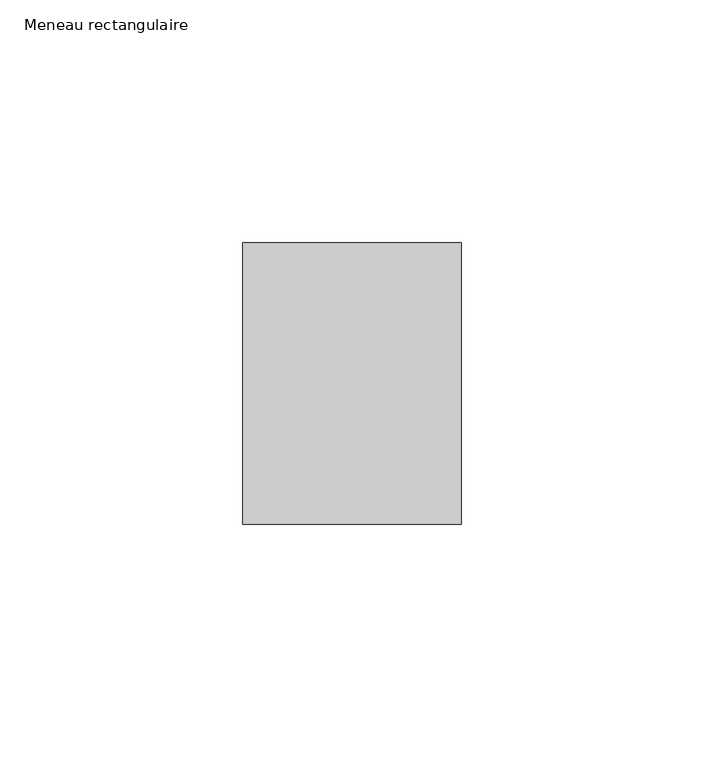
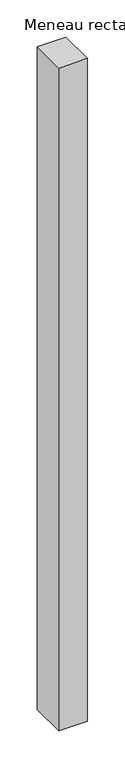
"""IFC4 building model written with IfcOpenShell, lengths in millimetres: member geometry, Meneau rectangulaire."""

import ifcopenshell
import ifcopenshell.guid

model = None  # the IFC model being written
_history = None  # IfcOwnerHistory: only IFC2X3 demands one
_inside = {}  # id of a spatial element -> (the spatial element, [elements in it])
_under = {}  # id of a project, library or spatial element -> (it, [spatial elements below it])
_declared = {}  # id of a project -> (the project, [libraries it declares])
_typed = {}  # id of a type object -> (the type object, [elements of that type])
_made_of = {}  # id of a material, layer set ... -> (it, [elements and type objects made of it])


def new_model(schema):
    """Start an empty IFC model of exactly this schema.

    Asked for "IFC4X3", IfcOpenShell would pick the latest addendum, in which some entities
    have other attributes; the version numbers below select the first issue.
    IFC2X3 requires an IfcOwnerHistory on every rooted entity: one is made here for all.
    """
    global model, _history
    if schema == "IFC4X3":
        model = ifcopenshell.file(schema_version=(4, 3, 0, 0))
    else:
        model = ifcopenshell.file(schema=schema)
    _inside.clear()
    _under.clear()
    _declared.clear()
    _typed.clear()
    _made_of.clear()
    _history = None
    if model.schema == "IFC2X3":
        org = make("IfcOrganization", Name="unknown")
        user = make(
            "IfcPersonAndOrganization",
            ThePerson=make("IfcPerson", FamilyName="unknown"),
            TheOrganization=org,
        )
        app = make(
            "IfcApplication",
            ApplicationDeveloper=org,
            Version="unknown",
            ApplicationFullName="unknown",
            ApplicationIdentifier="unknown",
        )
        _history = make(
            "IfcOwnerHistory",
            OwningUser=user,
            OwningApplication=app,
            ChangeAction="ADDED",
            CreationDate=0,
        )
    return model


def make(cls, **values):
    """One entity of the class cls with the attributes given. An attribute that is None is left unset."""
    return model.create_entity(
        cls, **{name: value for name, value in values.items() if value is not None}
    )


def rooted(cls, **values):
    """An entity with a GlobalId (a new one), such as an element, a storey or a relation."""
    return make(cls, GlobalId=ifcopenshell.guid.new(), OwnerHistory=_history, **values)


def si_unit(unit_type, name, prefix=None):
    """IfcSIUnit, for example si_unit("LENGTHUNIT", "METRE", prefix="MILLI")."""
    return make("IfcSIUnit", UnitType=unit_type, Prefix=prefix, Name=name)


def assignment(units):
    """IfcUnitAssignment: the units of a project."""
    return None if units is None else make("IfcUnitAssignment", Units=units)


def point(xyz):
    """IfcCartesianPoint."""
    return None if xyz is None else make("IfcCartesianPoint", Coordinates=xyz)


def direction(xyz):
    """IfcDirection."""
    return None if xyz is None else make("IfcDirection", DirectionRatios=xyz)


def frame(location, z_axis=None, x_axis=None):
    """IfcAxis2Placement3D, a coordinate frame: its origin and axes. An axis left out is left unset."""
    return make(
        "IfcAxis2Placement3D",
        Location=point(location),
        Axis=direction(z_axis),
        RefDirection=direction(x_axis),
    )


def origin():
    """The frame at (0, 0, 0) with its axes left unset."""
    return frame((0.0, 0.0, 0.0))


def place(relative_to, where):
    """IfcLocalPlacement: puts the frame where relative to a parent placement (None: the world)."""
    return make(
        "IfcLocalPlacement", PlacementRelTo=relative_to, RelativePlacement=where
    )


def context(
    kind, dimensions, precision=None, world=None, true_north=None, identifier=None
):
    """IfcGeometricRepresentationContext, for example the 3D "Model" context."""
    return make(
        "IfcGeometricRepresentationContext",
        ContextIdentifier=identifier,
        ContextType=kind,
        CoordinateSpaceDimension=dimensions,
        Precision=precision,
        WorldCoordinateSystem=world,
        TrueNorth=true_north,
    )


def project(units=None, contexts=None):
    """IfcProject with its units and contexts."""
    return rooted(
        "IfcProject",
        Name="project",
        RepresentationContexts=contexts,
        UnitsInContext=assignment(units),
    )


def spatial(cls, under=None, at=None, **own):
    """A site, building, storey or space (cls), placed at a placement, below another one or the project."""
    s = rooted(cls, ObjectPlacement=at, **own)
    if under is not None:
        _under.setdefault(under.id(), (under, []))[1].append(s)
    return s


def polyline(points):
    """IfcPolyline through the points."""
    return make("IfcPolyline", Points=[point(p) for p in points])


def outline(outer, holes=None, kind="AREA"):
    """IfcArbitraryClosedProfileDef: a profile drawn as a closed curve; with holes, ...WithVoids."""
    if holes is None:
        return make("IfcArbitraryClosedProfileDef", ProfileType=kind, OuterCurve=outer)
    return make(
        "IfcArbitraryProfileDefWithVoids",
        ProfileType=kind,
        OuterCurve=outer,
        InnerCurves=holes,
    )


def extrude(swept, where, along, depth):
    """IfcExtrudedAreaSolid: the profile swept, set in the frame where, extruded along a direction by depth."""
    return make(
        "IfcExtrudedAreaSolid",
        SweptArea=swept,
        Position=where,
        ExtrudedDirection=direction(along),
        Depth=depth,
    )


def shape(context_of_items, identifier, shape_type, items):
    """IfcShapeRepresentation: the items that make up one representation, for example the "Body"."""
    return make(
        "IfcShapeRepresentation",
        ContextOfItems=context_of_items,
        RepresentationIdentifier=identifier,
        RepresentationType=shape_type,
        Items=items,
    )


def source(mapping_origin, context_of_items, identifier, shape_type, items):
    """IfcRepresentationMap: a shape defined once, which mapped items show again and again."""
    return make(
        "IfcRepresentationMap",
        MappingOrigin=mapping_origin,
        MappedRepresentation=shape(context_of_items, identifier, shape_type, items),
    )


def transform(
    local_origin,
    x_axis=None,
    y_axis=None,
    z_axis=None,
    scale=None,
    scale2=None,
    scale3=None,
    uniform=True,
):
    """IfcCartesianTransformationOperator3D, or its non-uniform kind. x_axis, y_axis, z_axis: its Axis1, 2, 3."""
    if uniform:
        return make(
            "IfcCartesianTransformationOperator3D",
            Axis1=direction(x_axis),
            Axis2=direction(y_axis),
            LocalOrigin=point(local_origin),
            Scale=scale,
            Axis3=direction(z_axis),
        )
    return make(
        "IfcCartesianTransformationOperator3DnonUniform",
        Axis1=direction(x_axis),
        Axis2=direction(y_axis),
        LocalOrigin=point(local_origin),
        Scale=scale,
        Axis3=direction(z_axis),
        Scale2=scale2,
        Scale3=scale3,
    )


def mapped(mapping_source, mapping_target):
    """IfcMappedItem: shows the shape of a source again, moved by a transform."""
    return make(
        "IfcMappedItem", MappingSource=mapping_source, MappingTarget=mapping_target
    )


def made_of(thing, what):
    """Note that an element or type object is made of a material, layer set ...; save() writes the relation."""
    if what is not None:
        _made_of.setdefault(what.id(), (what, []))[1].append(thing)
    return thing


def element(
    cls,
    number,
    at=None,
    inside=None,
    cuts=None,
    type_object=None,
    material=None,
    context=None,
    identifier="Body",
    shape_type=None,
    held_by="IfcProductDefinitionShape",
    body=None,
    shapes=None,
    **own,
):
    """One element of the class cls, such as IfcWall. Its Tag is "e" and its number.

    at: its placement. inside: the storey or other place that contains it. cuts: it is an
    opening in that element (IfcRelVoidsElement). A single representation is given by context,
    identifier, shape_type and body (its items); several are given by shapes. held_by: the class
    of the entity that holds the representations. save() writes the other relations.
    """
    e = rooted(cls, Tag="e%d" % number, ObjectPlacement=at, **own)
    if body is not None:
        shapes = [shape(context, identifier, shape_type, body)]
    if shapes is not None:
        e.Representation = make(held_by, Representations=shapes)
    if inside is not None:
        _inside.setdefault(inside.id(), (inside, []))[1].append(e)
    if cuts is not None:
        rooted(
            "IfcRelVoidsElement", RelatingBuildingElement=cuts, RelatedOpeningElement=e
        )
    if type_object is not None:
        _typed.setdefault(type_object.id(), (type_object, []))[1].append(e)
    return made_of(e, material)


def aggregate(whole, parts):
    """IfcRelAggregates: a whole, such as a stair, and the parts it consists of."""
    return rooted("IfcRelAggregates", RelatingObject=whole, RelatedObjects=parts)


def save(model, path):
    """Write the relations noted so far, then the file.

    IfcRelAggregates (storeys below a building ...), IfcRelContainedInSpatialStructure (elements
    in a storey), IfcRelDefinesByType, IfcRelAssociatesMaterial and IfcRelDeclares: one each for
    every whole, place, type object, material and project.
    """
    for whole, parts in _under.values():
        aggregate(whole, parts)
    for where, things in _inside.values():
        rooted(
            "IfcRelContainedInSpatialStructure",
            RelatedElements=things,
            RelatingStructure=where,
        )
    for kind, things in _typed.values():
        rooted("IfcRelDefinesByType", RelatedObjects=things, RelatingType=kind)
    for what, things in _made_of.values():
        rooted("IfcRelAssociatesMaterial", RelatedObjects=things, RelatingMaterial=what)
    for by, libraries in _declared.values():
        rooted("IfcRelDeclares", RelatingContext=by, RelatedDefinitions=libraries)
    model.write(path)


def meneau_rectangulaire_edd53887(model_context):
    return source(origin(), model_context, "Body", "SweptSolid", [
        extrude(outline(polyline([(-45.0, 29.0), (0.0, 29.0), (0.0, -29.0), (-45.0, -29.0), (-45.0, 29.0)])), frame((0.0, 0.0, -1091.3749998), z_axis=(0.0, 0.0, 1.0), x_axis=(1.0, 0.0, 0.0)), (0.0, 0.0, 1.0), 1091.3749998),
    ])


if __name__ == "__main__":
    model = new_model("IFC4")
    model_context = context("Model", 3, world=origin())
    ifc_project = project(units=[si_unit("LENGTHUNIT", "METRE", prefix="MILLI")], contexts=[model_context])
    site = spatial("IfcSite", under=ifc_project)
    building = spatial("IfcBuilding", under=site)
    placement = place(None, origin())
    meneau_rectangulaire_shape = meneau_rectangulaire_edd53887(model_context)
    element("IfcMember", 1, ObjectType="Meneau rectangulaire", at=placement, inside=building, context=model_context, shape_type="MappedRepresentation", body=[
        mapped(meneau_rectangulaire_shape, transform((0.0, 0.0, 0.0), x_axis=(1.0, 0.0, 0.0), y_axis=(0.0, 1.0, 0.0), z_axis=(0.0, 0.0, 1.0))),
    ])
    save(model, "model.ifc")
